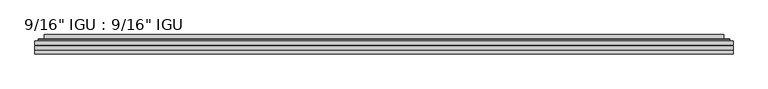
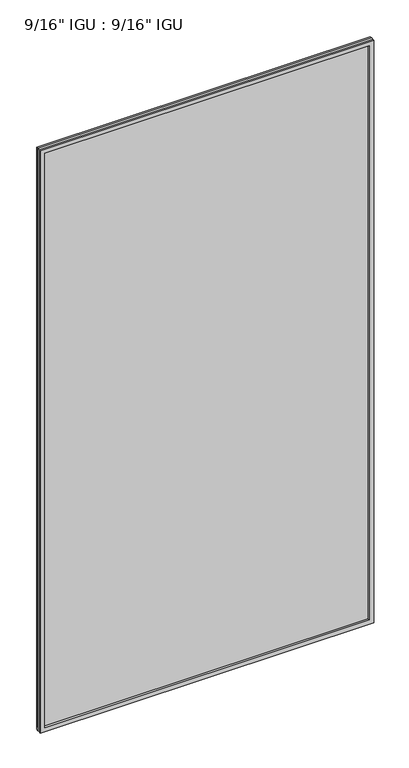
"""IFC4 building model written with IfcOpenShell, lengths in millimetres: plate geometry."""

from ifc_helpers import new_model, si_unit, frame, origin, place, context, project, spatial, polyline, ellipse_curve, outline, extrude, faceted_brep, source, transform, mapped, element, save
from ifc_brep_helpers import plane_surface, cylinder_surface, advanced_brep


def plate_f09d59ee(model_context):
    return source(origin(), model_context, "Body", "SolidModel", [
        extrude(outline(polyline([(547.70485, -54.78145), (547.70485, -61.1317818), (-547.690675, -61.1317818), (-547.690675, -54.78145), (547.70485, -54.78145)])), frame((0.0, 0.0, -14.2875), z_axis=(0.0, 0.0, 1.0), x_axis=(1.0, 0.0, 0.0)), (0.0, 0.0, 1.0), 2022.4787979),
        extrude(outline(polyline([(-547.690675, -69.05625), (-547.690675, -62.705745), (547.70485, -62.705745), (547.70485, -69.05625), (-547.690675, -69.05625)])), frame((0.0, 0.0, -14.2875), z_axis=(0.0, 0.0, 1.0), x_axis=(1.0, 0.0, 0.0)), (0.0, 0.0, 1.0), 2022.4787979),
        faceted_brep([(-547.703375, -75.40625, 2008.2002), (-547.703375, -69.05625, 2008.2002), (-547.703375, -69.05625, -14.3002), (-547.703375, -75.40625, -14.3002), (547.703375, -69.05625, -14.3002), (547.703375, -75.40625, -14.3002), (547.703375, -69.05625, 2008.2002), (547.703375, -75.40625, 2008.2002), (-532.5054309, -69.05625, 0.8977441), (532.5054309, -69.05625, 0.8977441), (532.5054309, -69.05625, 1993.0022559), (-532.5054309, -69.05625, 1993.0022559), (-533.3978652, -75.40625, 1993.8946902), (533.3978652, -75.40625, 1993.8946902), (533.3978652, -75.40625, 0.0053098), (-533.3978652, -75.40625, 0.0053098)], [[[0, 1, 2, 3]], [[3, 2, 4, 5]], [[5, 4, 6, 7]], [[1, 6, 4, 2], [8, 9, 10, 11]], [[7, 6, 1, 0]], [[3, 5, 7, 0], [12, 13, 14, 15]], [[11, 12, 15, 8]], [[8, 15, 14, 9]], [[9, 14, 13, 10]], [[10, 13, 12, 11]]]),
        advanced_brep(
        [(-540.449394, -54.78145, 2000.946219), (-542.8035994, -52.7917833, 2003.3004244), (-542.8035994, -52.7917833, -9.4004244), (-540.449394, -54.78145, -7.046219), (-531.3750689, -50.941413, 1991.8718939), (-526.4402371, -54.78145, 1986.9370621), (-526.4402371, -54.78145, 6.9629379), (-531.3750689, -50.941413, 2.0281061), (-532.4070967, -45.5441819, 1992.9039217), (-532.4070967, -45.5441819, 0.9960783), (-533.3977534, -45.1452069, 1993.8945784), (-533.3977534, -45.1452069, 0.0054216), (-533.3977534, -51.60645, 1993.8945784), (-533.3977534, -51.60645, 0.0054216), (-541.8018099, -51.60645, 2002.2986349), (-541.8018099, -51.60645, -8.3986349), (542.8035994, -52.7917833, -9.4004244), (540.449394, -54.78145, -7.046219), (526.4402371, -54.78145, 6.9629379), (531.3750689, -50.941413, 2.0281061), (532.4070967, -45.5441819, 0.9960783), (533.3977534, -45.1452069, 0.0054216), (533.3977534, -51.60645, 0.0054216), (541.8018099, -51.60645, -8.3986349), (542.8035994, -52.7917833, 2003.3004244), (540.449394, -54.78145, 2000.946219), (526.4402371, -54.78145, 1986.9370621), (531.3750689, -50.941413, 1991.8718939), (532.4070967, -45.5441819, 1992.9039217), (533.3977534, -45.1452069, 1993.8945784), (533.3977534, -51.60645, 1993.8945784), (541.8018099, -51.60645, 2002.2986349)],
        [
            (0, 1, ellipse_curve(frame((-540.449394, -52.39385, 2000.946219), z_axis=(-0.7071067811865475, 0.0, -0.7071067811865475), x_axis=(-0.7071067811865474, 0.0, 0.7071067811865476)), 3.3765763, 2.3876)),
            (1, 2),
            (2, 3, ellipse_curve(frame((-540.449394, -52.39385, -7.046219), z_axis=(-0.7071067811865475, 0.0, 0.7071067811865475), x_axis=(0.7071067811865474, 0.0, 0.7071067811865476)), 3.3765763, 2.3876)),
            (3, 0),
            (4, 5),
            (5, 6),
            (6, 7),
            (7, 4),
            (8, 4),
            (7, 9),
            (9, 8),
            (10, 8, ellipse_curve(frame((-533.0307969, -45.6634423, 1993.5276219), z_axis=(-0.7071067811865475, 0.0, -0.7071067811865475), x_axis=(-0.7071067811865474, 0.0, 0.7071067811865476)), 0.8980256, 0.635)),
            (9, 11, ellipse_curve(frame((-533.0307969, -45.6634423, 0.3723781), z_axis=(-0.7071067811865475, 0.0, 0.7071067811865475), x_axis=(0.7071067811865474, 0.0, 0.7071067811865476)), 0.8980256, 0.635)),
            (11, 10),
            (12, 10),
            (11, 13),
            (13, 12),
            (1, 14, ellipse_curve(frame((-541.8018099, -52.62245, 2002.2986349), z_axis=(-0.7071067811865475, 0.0, -0.7071067811865475), x_axis=(-0.7071067811865474, 0.0, 0.7071067811865476)), 1.436841, 1.016)),
            (14, 15),
            (15, 2, ellipse_curve(frame((-541.8018099, -52.62245, -8.3986349), z_axis=(-0.7071067811865475, 0.0, 0.7071067811865475), x_axis=(0.7071067811865474, 0.0, 0.7071067811865476)), 1.436841, 1.016)),
            (2, 16),
            (16, 17, ellipse_curve(frame((540.449394, -52.39385, -7.046219), z_axis=(-0.7071067811865475, 0.0, -0.7071067811865475), x_axis=(-0.7071067811865476, 0.0, 0.7071067811865474)), 3.3765763, 2.3876)),
            (17, 3),
            (6, 18),
            (18, 19),
            (19, 7),
            (19, 20),
            (20, 9),
            (20, 21, ellipse_curve(frame((533.0307969, -45.6634423, 0.3723781), z_axis=(-0.7071067811865475, 0.0, -0.7071067811865475), x_axis=(-0.7071067811865476, 0.0, 0.7071067811865474)), 0.8980256, 0.635)),
            (21, 11),
            (21, 22),
            (22, 13),
            (15, 23),
            (23, 16, ellipse_curve(frame((541.8018099, -52.62245, -8.3986349), z_axis=(-0.7071067811865475, 0.0, -0.7071067811865475), x_axis=(-0.7071067811865476, 0.0, 0.7071067811865474)), 1.436841, 1.016)),
            (16, 24),
            (24, 25, ellipse_curve(frame((540.449394, -52.39385, 2000.946219), z_axis=(0.7071067811865475, 0.0, -0.7071067811865475), x_axis=(-0.7071067811865474, 0.0, -0.7071067811865476)), 3.3765763, 2.3876)),
            (25, 17),
            (18, 26),
            (26, 27),
            (27, 19),
            (27, 28),
            (28, 20),
            (28, 29, ellipse_curve(frame((533.0307969, -45.6634423, 1993.5276219), z_axis=(0.7071067811865475, 0.0, -0.7071067811865475), x_axis=(-0.7071067811865474, 0.0, -0.7071067811865476)), 0.8980256, 0.635)),
            (29, 21),
            (29, 30),
            (30, 22),
            (23, 31),
            (31, 24, ellipse_curve(frame((541.8018099, -52.62245, 2002.2986349), z_axis=(0.7071067811865475, 0.0, -0.7071067811865475), x_axis=(-0.7071067811865474, 0.0, -0.7071067811865476)), 1.436841, 1.016)),
            (24, 1),
            (0, 25),
            (5, 26),
            (4, 27),
            (8, 28),
            (10, 29),
            (12, 30),
            (14, 31),
        ],
        [
            cylinder_surface(frame((-540.449394, -52.39385, 2025.65), z_axis=(0.0, 0.0, 1.0), x_axis=(-1.0, 0.0, 0.0)), 2.3876),
            plane_surface(frame((-526.4402371, -54.78145, 1986.9370621), z_axis=(0.6141233906514794, 0.7892100234124821, 0.0), x_axis=(0.0, 0.0, -1.0))),
            plane_surface(frame((-531.3750689, -50.941413, 1991.8718939), z_axis=(0.9822050625507728, 0.18781164793386088, 0.0), x_axis=(0.0, 0.0, -1.0))),
            cylinder_surface(frame((-533.0307969, -45.6634423, 2025.65), z_axis=(0.0, 0.0, 1.0), x_axis=(-1.0, 0.0, 0.0)), 0.635),
            plane_surface(frame((-533.3977534, -45.1452069, 1993.8945784), z_axis=(-1.0, 0.0, 0.0), x_axis=(0.0, 0.0, -1.0))),
            cylinder_surface(frame((-541.8018099, -52.62245, 2025.65), z_axis=(0.0, 0.0, 1.0), x_axis=(-1.0, 0.0, 0.0)), 1.016),
            cylinder_surface(frame((-565.153175, -52.39385, -7.046219), z_axis=(-1.0, 0.0, 0.0), x_axis=(0.0, 0.0, -1.0)), 2.3876),
            plane_surface(frame((-526.4402371, -54.78145, 6.9629379), z_axis=(0.0, 0.7892100234124841, 0.6141233906514768), x_axis=(1.0, 0.0, 0.0))),
            plane_surface(frame((-531.3750689, -50.941413, 2.0281061), z_axis=(0.0, 0.18781164793386404, 0.9822050625507722), x_axis=(1.0, 0.0, 0.0))),
            cylinder_surface(frame((-565.153175, -45.6634423, 0.3723781), z_axis=(-1.0, 0.0, 0.0), x_axis=(0.0, 0.0, -1.0)), 0.635),
            plane_surface(frame((-533.3977534, -45.1452069, 0.0054216), z_axis=(0.0, 0.0, -1.0), x_axis=(1.0, 0.0, 0.0))),
            cylinder_surface(frame((-565.153175, -52.62245, -8.3986349), z_axis=(-1.0, 0.0, 0.0), x_axis=(0.0, 0.0, -1.0)), 1.016),
            cylinder_surface(frame((540.449394, -52.39385, -31.75), z_axis=(0.0, 0.0, -1.0), x_axis=(1.0, 0.0, 0.0)), 2.3876),
            plane_surface(frame((526.4402371, -54.78145, 6.9629379), z_axis=(-0.6141233906514743, 0.7892100234124861, 0.0), x_axis=(0.0, 0.0, 1.0))),
            plane_surface(frame((531.3750689, -50.941413, 2.0281061), z_axis=(-0.9822050625507717, 0.1878116479338672, 0.0), x_axis=(0.0, 0.0, 1.0))),
            cylinder_surface(frame((533.0307969, -45.6634423, -31.75), z_axis=(0.0, 0.0, -1.0), x_axis=(1.0, 0.0, 0.0)), 0.635),
            plane_surface(frame((533.3977534, -45.1452069, 0.0054216), z_axis=(1.0, 0.0, 0.0), x_axis=(0.0, 0.0, 1.0))),
            cylinder_surface(frame((541.8018099, -52.62245, -31.75), z_axis=(0.0, 0.0, -1.0), x_axis=(1.0, 0.0, 0.0)), 1.016),
            cylinder_surface(frame((565.153175, -52.39385, 2000.946219), z_axis=(1.0, 0.0, 0.0), x_axis=(0.0, 0.0, 1.0)), 2.3876),
            plane_surface(frame((540.449394, -54.78145, 2000.946219), z_axis=(0.0, -1.0, 0.0), x_axis=(-1.0, 0.0, 0.0))),
            plane_surface(frame((526.4402371, -54.78145, 1986.9370621), z_axis=(0.0, 0.7892100234124841, -0.6141233906514768), x_axis=(-1.0, 0.0, 0.0))),
            plane_surface(frame((531.3750689, -50.941413, 1991.8718939), z_axis=(0.0, 0.18781164793386404, -0.9822050625507722), x_axis=(-1.0, 0.0, 0.0))),
            cylinder_surface(frame((565.153175, -45.6634423, 1993.5276219), z_axis=(1.0, 0.0, 0.0), x_axis=(0.0, 0.0, 1.0)), 0.635),
            plane_surface(frame((533.3977534, -45.1452069, 1993.8945784), z_axis=(0.0, 0.0, 1.0), x_axis=(-1.0, 0.0, 0.0))),
            plane_surface(frame((533.3977534, -51.60645, 1993.8945784), z_axis=(0.0, 1.0, 0.0), x_axis=(-1.0, 0.0, 0.0))),
            cylinder_surface(frame((565.153175, -52.62245, 2002.2986349), z_axis=(1.0, 0.0, 0.0), x_axis=(0.0, 0.0, 1.0)), 1.016),
        ],
        [
            (0, [[1, 2, 3, 4]]),
            (1, [[5, 6, 7, 8]]),
            (2, [[9, -8, 10, 11]]),
            (3, [[12, -11, 13, 14]]),
            (4, [[15, -14, 16, 17]]),
            (5, [[18, 19, 20, -2]]),
            (6, [[-3, 21, 22, 23]]),
            (7, [[-7, 24, 25, 26]]),
            (8, [[-10, -26, 27, 28]]),
            (9, [[-13, -28, 29, 30]]),
            (10, [[-16, -30, 31, 32]]),
            (11, [[-20, 33, 34, -21]]),
            (12, [[-22, 35, 36, 37]]),
            (13, [[-25, 38, 39, 40]]),
            (14, [[-27, -40, 41, 42]]),
            (15, [[-29, -42, 43, 44]]),
            (16, [[-31, -44, 45, 46]]),
            (17, [[-34, 47, 48, -35]]),
            (18, [[-36, 49, -1, 50]]),
            (19, [[-23, -37, -50, -4], [51, -38, -24, -6]]),
            (20, [[-39, -51, -5, 52]]),
            (21, [[-41, -52, -9, 53]]),
            (22, [[-43, -53, -12, 54]]),
            (23, [[-45, -54, -15, 55]]),
            (24, [[56, -47, -33, -19], [-32, -46, -55, -17]]),
            (25, [[-48, -56, -18, -49]]),
        ],
    ),
    ])


if __name__ == "__main__":
    model = new_model("IFC4")
    model_context = context("Model", 3, world=origin())
    ifc_project = project(units=[si_unit("LENGTHUNIT", "METRE", prefix="MILLI")], contexts=[model_context])
    site = spatial("IfcSite", under=ifc_project)
    building = spatial("IfcBuilding", under=site)
    placement = place(None, origin())
    plate_shape = plate_f09d59ee(model_context)
    element("IfcPlate", 1, ObjectType="9/16\" IGU : 9/16\" IGU", at=placement, inside=building, context=model_context, shape_type="MappedRepresentation", body=[
        mapped(plate_shape, transform((0.0, 0.0, 0.0), x_axis=(1.0, 0.0, 0.0), y_axis=(0.0, 1.0, 0.0), z_axis=(0.0, 0.0, 1.0))),
    ])
    save(model, "model.ifc")
